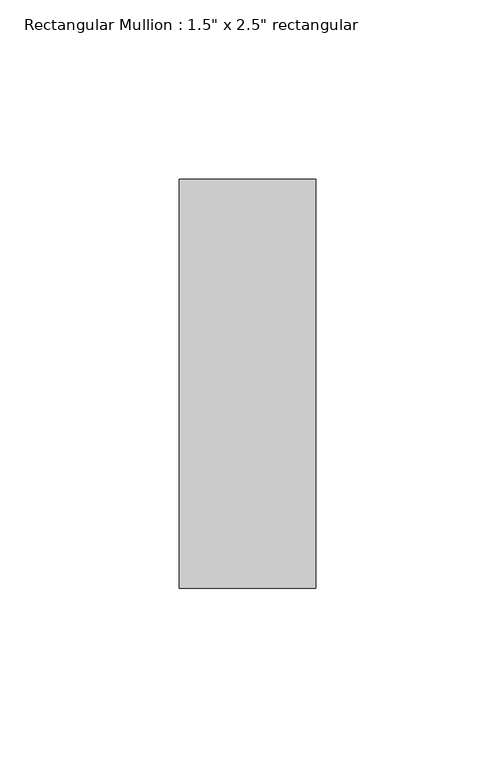
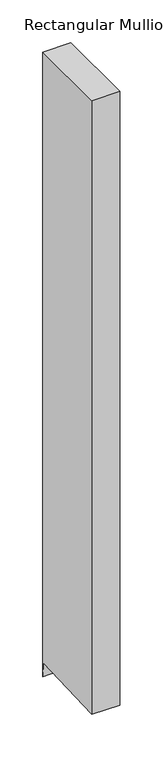
"""IFC4 building model written with IfcOpenShell, lengths in millimetres: member geometry."""

from ifc_helpers import new_model, si_unit, origin, place, context, project, spatial, faceted_brep, source, transform, mapped, element, save


def member_5313ab74(model_context):
    return source(origin(), model_context, "Body", "Brep", [
        faceted_brep([(19.05, 57.15, 0.0), (-19.05, 57.15, 0.0), (-19.05, -57.15, 0.0), (19.05, -57.15, 0.0), (19.05, 57.15, -891.3162314), (0.0, 57.15, -891.3162314), (-19.05, 57.15, -891.3162314), (-19.05, 56.2646565, -871.0385322), (-19.05, -57.15, -875.9903231), (0.0, -57.15, -875.9903231), (19.05, -57.15, -875.9903231), (19.05, 56.2646565, -871.0385322), (0.0, 56.2646565, -871.0385322)], [[[0, 1, 2, 3]], [[1, 0, 4, 5, 6]], [[2, 1, 6, 7, 8]], [[3, 2, 8, 9, 10]], [[0, 3, 10, 11, 4]], [[4, 11, 12, 5]], [[11, 10, 9, 12]], [[9, 8, 7, 12]], [[7, 6, 5, 12]]]),
    ])


if __name__ == "__main__":
    model = new_model("IFC4")
    model_context = context("Model", 3, world=origin())
    ifc_project = project(units=[si_unit("LENGTHUNIT", "METRE", prefix="MILLI")], contexts=[model_context])
    site = spatial("IfcSite", under=ifc_project)
    building = spatial("IfcBuilding", under=site)
    placement = place(None, origin())
    member_shape = member_5313ab74(model_context)
    element("IfcMember", 1, ObjectType="Rectangular Mullion : 1.5\" x 2.5\" rectangular", at=placement, inside=building, context=model_context, shape_type="MappedRepresentation", body=[
        mapped(member_shape, transform((0.0, 0.0, 0.0), x_axis=(1.0, 0.0, 0.0), y_axis=(0.0, 1.0, 0.0), z_axis=(0.0, 0.0, 1.0))),
    ])
    save(model, "model.ifc")
